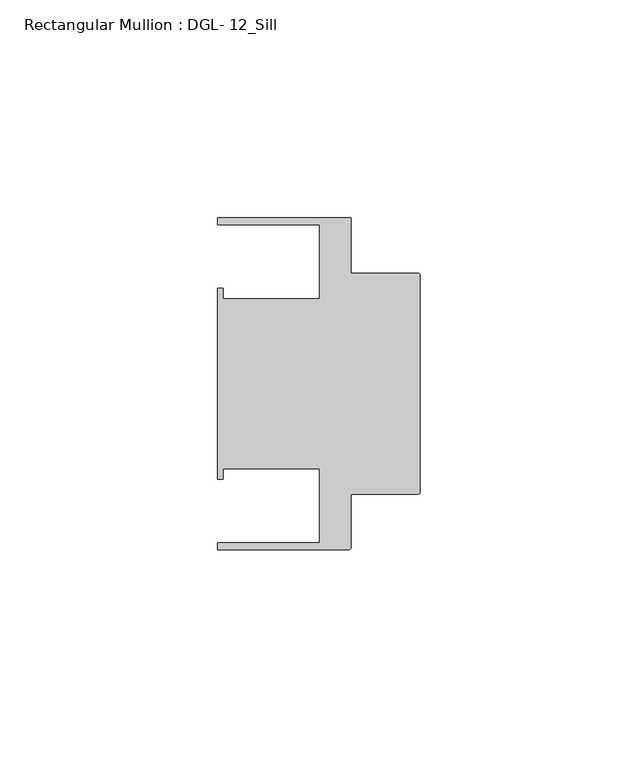
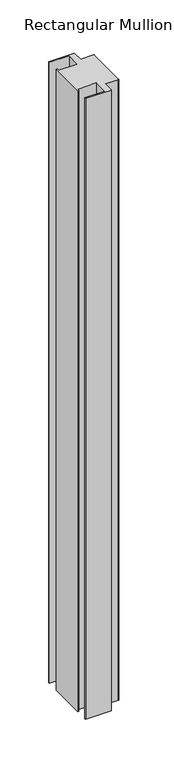
"""IFC4 building model written with IfcOpenShell, lengths in millimetres: member geometry, Rectangular Mullion : DGL- 12_Sill."""

from ifc_helpers import new_model, si_unit, point, frame, frame_2d, origin, place, context, project, spatial, polyline, circle_curve, trimmed, segment, composite_curve, outline, extrude, source, transform, mapped, element, save


def rectangular_mullion_dgl_12_sill_ae99f0b2(model_context):
    return source(origin(), model_context, "Body", "SweptSolid", [
        extrude(outline(composite_curve([segment(trimmed(circle_curve(frame_2d((-0.5953125, 24.8046875)), 0.5953125), [point((-0.5953125, 25.4))], [point((0.0, 24.8046875))], False, "CARTESIAN"), True, "CONTINUOUS"), segment(polyline([(0.0, 24.8046875), (0.0, -24.8046875)]), True, "CONTINUOUS"), segment(trimmed(circle_curve(frame_2d((-0.5953125, -24.8046875)), 0.5953125), [point((0.0, -24.8046875))], [point((-0.5953125, -25.4))], False, "CARTESIAN"), True, "CONTINUOUS"), segment(polyline([(-0.5953125, -25.4), (-15.8750672, -25.4), (-15.8750672, -37.5047035)]), True, "CONTINUOUS"), segment(trimmed(circle_curve(frame_2d((-16.4703797, -37.5047035)), 0.5953125), [point((-15.8750672, -37.5047035))], [point((-16.4703797, -38.100016))], False, "CARTESIAN"), True, "CONTINUOUS"), segment(polyline([(-16.4703797, -38.100016), (-46.54296, -38.100016), (-46.54296, -36.512516), (-23.1202791, -36.512516), (-23.1202791, -19.4824275), (-45.2865266, -19.4824275), (-45.2865266, -21.9710976), (-46.54296, -21.9710976), (-46.54296, 21.9710976), (-45.2865266, 21.9710976), (-45.2865266, 19.4824275), (-23.1202791, 19.4824275), (-23.1202791, 36.512516), (-46.54296, 36.512516), (-46.54296, 38.0996792), (-15.8750672, 38.0996792), (-15.8750672, 25.4), (-0.5953125, 25.4)]), True, "CONTINUOUS")], self_intersect=False)), frame((0.0, 0.0, -778.9333333), z_axis=(0.0, 0.0, 1.0), x_axis=(1.0, 0.0, 0.0)), (0.0, 0.0, 1.0), 778.9333333),
    ])


if __name__ == "__main__":
    model = new_model("IFC4")
    model_context = context("Model", 3, world=origin())
    ifc_project = project(units=[si_unit("LENGTHUNIT", "METRE", prefix="MILLI")], contexts=[model_context])
    site = spatial("IfcSite", under=ifc_project)
    building = spatial("IfcBuilding", under=site)
    placement = place(None, origin())
    rectangular_mullion_dgl_12_sill_shape = rectangular_mullion_dgl_12_sill_ae99f0b2(model_context)
    element("IfcMember", 1, ObjectType="Rectangular Mullion : DGL- 12_Sill", at=placement, inside=building, context=model_context, shape_type="MappedRepresentation", body=[
        mapped(rectangular_mullion_dgl_12_sill_shape, transform((0.0, 0.0, 0.0), x_axis=(1.0, 0.0, 0.0), y_axis=(0.0, 1.0, 0.0), z_axis=(0.0, 0.0, 1.0))),
    ])
    save(model, "model.ifc")
